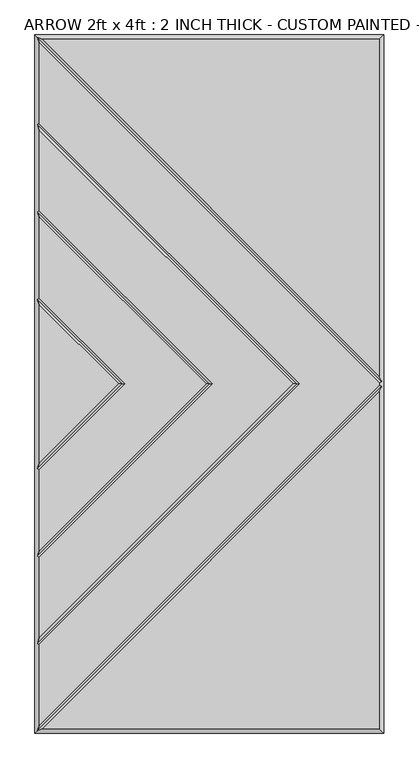
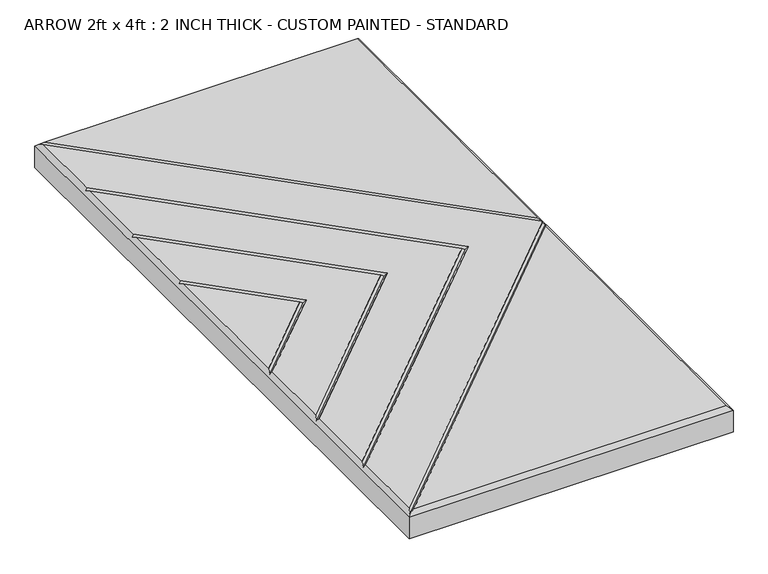
"""IFC4 building model written with IfcOpenShell, lengths in millimetres: proxy geometry, ARROW 2ft x 4ft : 2 INCH THICK - CUSTOM PAINTED - STANDARD."""

from ifc_helpers import new_model, si_unit, origin, place, context, project, spatial, faceted_brep, source, transform, mapped, element, save


def arrow_2ft_x_4ft_2_inch_thick_custom_painted_standard_1ebe242d(model_context):
    return source(origin(), model_context, "Body", "Brep", [
        faceted_brep([(296.799, -2.3434386, 50.8), (296.799, 2.3434386, 50.8), (-296.799, 595.9414386, 50.8), (-296.799, 454.8565868, 50.8), (158.0575614, 2.54e-05, 50.8), (-296.799, -454.856536, 50.8), (-296.799, -595.9414386, 50.8), (296.799, 601.599, 50.8), (-291.1414386, 601.599, 50.8), (296.799, 13.6585614, 50.8), (-291.1414386, -601.599, 50.8), (296.799, -601.599, 50.8), (296.799, -13.6585614, 50.8), (146.7424386, 2.54e-05, 50.8), (-296.799, 443.541464, 50.8), (-296.799, 302.4565868, 50.8), (5.6575614, 2.54e-05, 50.8), (-296.799, -302.456536, 50.8), (-296.799, -443.5414132, 50.8), (-5.6575614, 2.54e-05, 50.8), (-296.799, 291.141464, 50.8), (-296.799, 150.0565868, 50.8), (-146.7424386, 2.54e-05, 50.8), (-296.799, -150.056536, 50.8), (-296.799, -291.1414132, 50.8), (-296.799, 138.741464, 50.8), (-296.799, -138.7414132, 50.8), (-158.0575614, 2.54e-05, 50.8), (-304.8, 609.6, 0.0), (304.8, 609.6, 0.0), (304.8, -609.6, 0.0), (-304.8, -609.6, 0.0), (-304.8, -609.6, 42.799), (-304.8, 609.6, 42.799), (304.8, -609.6, 42.799), (304.8, 609.6, 42.799), (-300.7995, 605.5995, 46.7995), (-300.7995, -605.5995, 46.7995), (-300.7995, -453.1994746, 46.7995), (-300.7995, -300.7994746, 46.7995), (-300.7995, -148.3994746, 46.7995), (-300.7995, 148.3995254, 46.7995), (-300.7995, 300.7995254, 46.7995), (-300.7995, 453.1995254, 46.7995), (300.7995, 4.0005, 46.7995), (300.7995, -4.0005, 46.7995), (152.4, 2.54e-05, 46.7995), (0.0, 2.54e-05, 46.7995), (-152.4, 2.54e-05, 46.7995)], [[[0, 1, 2, 3, 4, 5, 6]], [[7, 8, 9]], [[10, 11, 12]], [[13, 14, 15, 16, 17, 18]], [[19, 20, 21, 22, 23, 24]], [[25, 26, 27]], [[28, 29, 30, 31]], [[28, 31, 32, 33]], [[31, 30, 34, 32]], [[30, 29, 35, 34]], [[29, 28, 33, 35]], [[7, 35, 33, 36, 8]], [[33, 32, 37, 6, 5, 38, 18, 17, 39, 24, 23, 40, 26, 25, 41, 21, 20, 42, 15, 14, 43, 3, 2, 36]], [[34, 11, 10, 37, 32]], [[35, 7, 9, 44, 1, 0, 45, 12, 11, 34]], [[36, 44, 9, 8]], [[44, 36, 2, 1]], [[45, 37, 10, 12]], [[37, 45, 0, 6]], [[46, 4, 3, 43]], [[13, 46, 43, 14]], [[4, 46, 38, 5]], [[46, 13, 18, 38]], [[47, 16, 15, 42]], [[19, 47, 42, 20]], [[16, 47, 39, 17]], [[47, 19, 24, 39]], [[48, 22, 21, 41]], [[27, 48, 41, 25]], [[22, 48, 40, 23]], [[48, 27, 26, 40]]]),
    ])


if __name__ == "__main__":
    model = new_model("IFC4")
    model_context = context("Model", 3, world=origin())
    ifc_project = project(units=[si_unit("LENGTHUNIT", "METRE", prefix="MILLI")], contexts=[model_context])
    site = spatial("IfcSite", under=ifc_project)
    building = spatial("IfcBuilding", under=site)
    placement = place(None, origin())
    arrow_2ft_x_4ft_2_inch_thick_custom_painted_standard_shape = arrow_2ft_x_4ft_2_inch_thick_custom_painted_standard_1ebe242d(model_context)
    element("IfcBuildingElementProxy", 1, Name="ARROW 2ft x 4ft : 2 INCH THICK - CUSTOM PAINTED - STANDARD", ObjectType="ARROW 2ft x 4ft : 2 INCH THICK - CUSTOM PAINTED - STANDARD", at=placement, inside=building, context=model_context, shape_type="MappedRepresentation", body=[
        mapped(arrow_2ft_x_4ft_2_inch_thick_custom_painted_standard_shape, transform((0.0, 0.0, 0.0), x_axis=(1.0, 0.0, 0.0), y_axis=(0.0, 1.0, 0.0), z_axis=(0.0, 0.0, 1.0))),
    ])
    save(model, "model.ifc")
